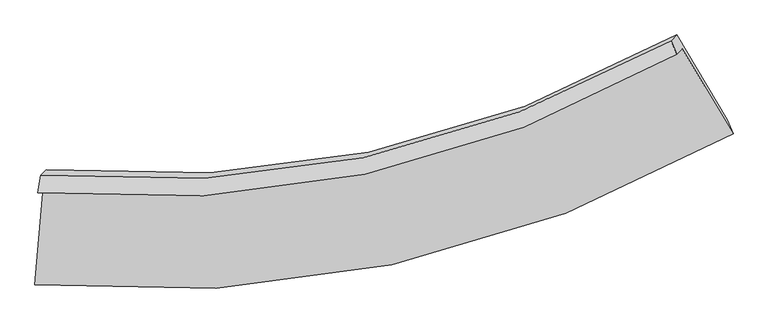
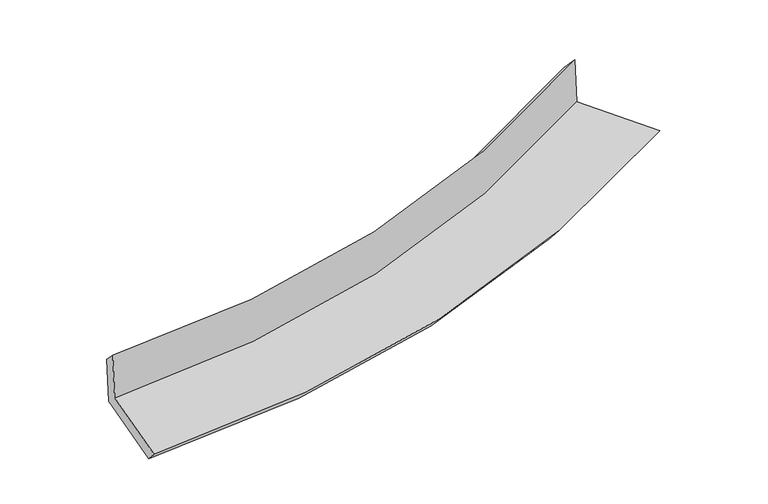
"""IFC4 building model written with IfcOpenShell, lengths in millimetres: proxy geometry."""

from ifc_helpers import new_model, si_unit, frame, origin, place, context, project, spatial, source, transform, mapped, element, save
from ifc_brep_helpers import plane_surface, spline_curve, spline_surface, advanced_brep


def generic_models_ab563125(model_context):
    return source(origin(), model_context, "Body", "AdvancedBrep", [
        advanced_brep(
        [(-2206.9320021, -1836.2949592, 1669.8758426), (-2263.7688935, -2493.5272875, 1603.0963141), (2439.8205452, -1476.8216544, 2128.3690382), (2096.9531696, -903.415308, 2150.6202998), (-2243.9628539, -1874.0981995, 2073.446079), (2060.3728223, -940.7586471, 2549.2808411), (-2223.036574, -1753.8559127, 1958.6213209), (2021.7275195, -847.2738075, 2435.7222718), (-2186.6029941, -1716.6624022, 1561.5602817), (2058.6153703, -809.6165509, 2033.7104902), (-2244.1902075, -2382.5710648, 1493.8991754), (2400.6857297, -1381.6899791, 2011.5109531)],
        [
            (0, 1),
            (1, 2, spline_curve(3, [(-2263.7688935, -2493.5272875, 1603.0963141), (-1435.808816587, -2567.592566203, 1680.36188547), (-634.040730437, -2522.249001812, 1762.213991795), (935.04788705, -2188.934026409, 1937.090305004), (1701.142947156, -1895.375713039, 2030.329106706), (2439.8205452, -1476.8216544, 2128.3690382)], [4, 2, 4], [0.0, 7.623393388096338, 15.423089832530996])),
            (2, 3),
            (3, 0, spline_curve(3, [(2096.9531696, -903.415308, 2150.6202998), (1421.481494811, -1287.873314459, 2061.573871989), (720.702691698, -1557.43236452, 1976.576427635), (-715.056845045, -1863.256639556, 1816.509251667), (-1448.906432353, -1904.657473351, 1741.2585437), (-2206.9320021, -1836.2949592, 1669.8758426)], [4, 2, 4], [0.0, 7.799696444434658, 15.423089832530996])),
            (4, 0),
            (3, 5),
            (5, 4, spline_curve(3, [(2060.3728223, -940.7586471, 2549.2808411), (1385.076825392, -1325.037311756, 2458.319839471), (684.346451643, -1594.546921995, 2372.794599781), (-751.568940786, -1900.530303715, 2214.425973017), (-1485.617125832, -1942.133877721, 2141.339625557), (-2243.9628539, -1874.0981995, 2073.446079)], [4, 2, 4], [0.0, 7.454743328535953, 14.740980864262959])),
            (6, 4),
            (5, 7),
            (7, 6, spline_curve(3, [(2021.7275195, -847.2738075, 2435.7222718), (1355.207876896, -1223.557185097, 2336.153956716), (663.893961, -1486.833792811, 2246.266314012), (-752.13562679, -1783.976793874, 2087.665358363), (-1475.743075196, -1822.894221176, 2018.519350618), (-2223.036574, -1753.8559127, 1958.6213209)], [4, 2, 4], [0.0, 7.401450537214313, 14.635599903114597])),
            (8, 6),
            (7, 9),
            (9, 8, spline_curve(3, [(2058.6153703, -809.6165509, 2033.7104902), (1391.725870008, -1186.277500636, 1938.172965655), (700.190412801, -1449.780270815, 1850.699728051), (-715.983969429, -1747.071086189, 1693.676772431), (-1439.521300049, -1785.916933547, 1623.766607481), (-2186.6029941, -1716.6624022, 1561.5602817)], [4, 2, 4], [0.0, 7.348269101703979, 14.530439136520393])),
            (10, 8),
            (9, 11),
            (11, 10, spline_curve(3, [(2400.6857297, -1381.6899791, 2011.5109531), (1671.815027234, -1794.673918252, 1906.883701324), (915.572654416, -2084.129974809, 1811.041980802), (-633.942749189, -2412.235710214, 1638.897406189), (-1425.992355264, -2456.406682039, 1562.201867349), (-2244.1902075, -2382.5710648, 1493.8991754)], [4, 2, 4], [0.0, 7.695293635355772, 15.21664411830821])),
            (1, 10),
            (11, 2),
        ],
        [
            spline_surface(3, 3, [[(-2206.9320021, -1836.2949592, 1669.8758426), (-1448.906432301, -1904.657473468, 1741.258543595), (-715.056844999, -1863.256639645, 1816.509251622), (720.70269165, -1557.432364429, 1976.576427682), (1421.481494935, -1287.873314577, 2061.573872032), (2096.9531696, -903.415308, 2150.6202998)], [(-2225.877632564, -2055.372401958, 1647.615999786), (-1444.540560377, -2125.63583773, 1720.959657574), (-688.051473454, -2082.920760394, 1798.410831683), (792.151090087, -1767.932918368, 1963.414386785), (1514.701978972, -1490.374114048, 2051.158950257), (2211.242294797, -1094.550756817, 2143.2032126)], [(-2244.823263036, -2274.449844742, 1625.356156914), (-1440.174688461, -2346.614202018, 1700.660771495), (-661.046101902, -2302.584881183, 1780.312411745), (863.599488532, -1978.433472347, 1950.252345889), (1607.922463017, -1692.874913469, 2040.744028483), (2325.531420003, -1285.686205583, 2135.7861254)], [(-2263.7688935, -2493.5272875, 1603.0963141), (-1435.808816536, -2567.59256628, 1680.361885474), (-634.040730357, -2522.249001932, 1762.213991806), (935.047886969, -2188.934026286, 1937.090304992), (1701.142947054, -1895.375712941, 2030.329106708), (2439.8205452, -1476.8216544, 2128.3690382)]], [4, 4], [4, 2, 4], [0.0, 2.177197485780877], [0.0, 7.623393388096338, 15.423089832530996]),
            spline_surface(3, 3, [[(-2243.9628539, -1874.0981995, 2073.446079), (-1485.6171258, -1942.133877614, 2141.339625541), (-751.568940764, -1900.530303747, 2214.425973126), (684.34645162, -1594.546921962, 2372.794599669), (1385.076825361, -1325.03731167, 2458.319839455), (2060.3728223, -940.7586471, 2549.2808411)], [(-2231.619236652, -1861.497119426, 1938.922666836), (-1473.380227985, -1929.641742925, 2007.979264861), (-739.398242177, -1888.105749067, 2081.787065957), (696.465198295, -1582.175402805, 2240.721875672), (1397.211715213, -1312.649312622, 2326.07118363), (2072.566271393, -928.310867384, 2416.393993983)], [(-2219.275619348, -1848.896039274, 1804.399254764), (-1461.143330115, -1917.149608158, 1874.618904275), (-727.227543585, -1875.681194325, 1949.148158791), (708.583944975, -1569.803883586, 2108.649151679), (1409.346605084, -1300.261313624, 2193.822527856), (2084.759720507, -915.863087716, 2283.507146917)], [(-2206.9320021, -1836.2949592, 1669.8758426), (-1448.906432301, -1904.657473468, 1741.258543595), (-715.056844999, -1863.256639645, 1816.509251622), (720.70269165, -1557.432364429, 1976.576427682), (1421.481494935, -1287.873314577, 2061.573872032), (2096.9531696, -903.415308, 2150.6202998)]], [4, 4], [4, 2, 4], [0.0, 1.3138039406077178], [0.0, 7.286237535727006, 14.740980864262959]),
            spline_surface(3, 3, [[(-2223.036574, -1753.8559127, 1958.6213209), (-1475.743075117, -1822.894221202, 2018.519350706), (-752.135626727, -1783.976793894, 2087.665358273), (663.893960936, -1486.833792791, 2246.266314104), (1355.207877017, -1223.557185038, 2336.153956836), (2021.7275195, -847.2738075, 2435.7222718)], [(-2230.012000609, -1793.93667495, 1996.896240294), (-1479.03442532, -1862.640773322, 2059.459442345), (-751.946731405, -1822.827963841, 2129.918896575), (670.711457832, -1522.738169177, 2288.442409311), (1365.164193119, -1257.383893914, 2376.875917733), (2034.609287088, -878.435420699, 2473.575128258)], [(-2236.987427291, -1834.01743725, 2035.171159606), (-1482.325775597, -1902.387325494, 2100.399533902), (-751.757836086, -1861.6791338, 2172.172434824), (677.528954724, -1558.642545576, 2330.618504463), (1375.120509259, -1291.210602793, 2417.597878557), (2047.491054712, -909.597033901, 2511.427984642)], [(-2243.9628539, -1874.0981995, 2073.446079), (-1485.6171258, -1942.133877614, 2141.339625541), (-751.568940764, -1900.530303747, 2214.425973126), (684.34645162, -1594.546921962, 2372.794599669), (1385.076825361, -1325.03731167, 2458.319839455), (2060.3728223, -940.7586471, 2549.2808411)]], [4, 4], [4, 2, 4], [0.0, 0.5558490785267526], [0.0, 7.234149365900285, 14.635599903114597]),
            spline_surface(3, 3, [[(-2186.6029941, -1716.6624022, 1561.5602817), (-1439.52130014, -1785.916933446, 1623.766607398), (-715.983969328, -1747.071086292, 1693.676772475), (700.190412698, -1449.78027071, 1850.699728005), (1391.725870001, -1186.277500738, 1938.172965758), (2058.6153703, -809.6165509, 2033.7104902)], [(-2198.747520747, -1729.060239047, 1693.91396141), (-1451.595225146, -1798.242696045, 1755.350855144), (-728.034521781, -1759.372988833, 1825.006301072), (688.091595458, -1462.131444744, 1982.555256703), (1379.553205665, -1198.704062169, 2070.833296093), (2046.319420025, -822.168969765, 2167.714417375)], [(-2210.892047353, -1741.458075853, 1826.26764119), (-1463.669150111, -1810.568458603, 1886.93510296), (-740.085074275, -1771.674891352, 1956.335829675), (675.992778176, -1474.482618757, 2114.410785406), (1367.380541353, -1211.130623607, 2203.493626501), (2034.023469775, -834.721388635, 2301.718344625)], [(-2223.036574, -1753.8559127, 1958.6213209), (-1475.743075117, -1822.894221202, 2018.519350706), (-752.135626727, -1783.976793894, 2087.665358273), (663.893960936, -1486.833792791, 2246.266314104), (1355.207877017, -1223.557185038, 2336.153956836), (2021.7275195, -847.2738075, 2435.7222718)]], [4, 4], [4, 2, 4], [0.0, 1.3063511883957333], [0.0, 7.182170034816414, 14.530439136520393]),
            spline_surface(3, 3, [[(-2244.1902075, -2382.5710648, 1493.8991754), (-1425.992355318, -2456.406682033, 1562.201867468), (-633.942749099, -2412.235710107, 1638.897406172), (915.572654324, -2084.129974919, 1811.041980819), (1671.81502721, -1794.673918286, 1906.883701345), (2400.6857297, -1381.6899791, 2011.5109531)], [(-2224.994469703, -2160.601510587, 1516.452877525), (-1430.502003596, -2232.910099157, 1582.72344747), (-661.289822525, -2190.514168803, 1657.157194928), (843.778573765, -1872.680073484, 1824.26122987), (1578.451974832, -1591.87511244, 1917.313456175), (2286.662276592, -1190.99883637, 2018.910798826)], [(-2205.798731897, -1938.631956413, 1539.006579575), (-1435.011651863, -2009.413516322, 1603.245027396), (-688.636895902, -1968.792627595, 1675.416983718), (771.984493256, -1661.230172145, 1837.480478954), (1485.088922379, -1389.076306584, 1927.743210928), (2172.638823408, -1000.30769363, 2026.310644474)], [(-2186.6029941, -1716.6624022, 1561.5602817), (-1439.52130014, -1785.916933446, 1623.766607398), (-715.983969328, -1747.071086292, 1693.676772475), (700.190412698, -1449.78027071, 1850.699728005), (1391.725870001, -1186.277500738, 1938.172965758), (2058.6153703, -809.6165509, 2033.7104902)]], [4, 4], [4, 2, 4], [0.0, 2.192291947848748], [0.0, 7.521350482952438, 15.21664411830821]),
            spline_surface(3, 3, [[(-2263.7688935, -2493.5272875, 1603.0963141), (-1435.808816536, -2567.59256628, 1680.361885474), (-634.040730357, -2522.249001932, 1762.213991806), (935.047886969, -2188.934026286, 1937.090304992), (1701.142947054, -1895.375712941, 2030.329106708), (2439.8205452, -1476.8216544, 2128.3690382)], [(-2257.242664825, -2456.541879933, 1566.697267849), (-1432.536662788, -2530.530604863, 1640.975212788), (-634.008069933, -2485.577904679, 1721.108463259), (928.556142759, -2153.999342519, 1895.074196931), (1691.366973777, -1861.808448055, 1989.180638245), (2426.775606705, -1445.111095966, 2089.416343159)], [(-2250.716436175, -2419.556472367, 1530.298221651), (-1429.264509066, -2493.468643449, 1601.588540154), (-633.975409523, -2448.90680736, 1680.00293472), (922.064398533, -2119.064658686, 1853.05808888), (1681.591000486, -1828.241183172, 1948.032169808), (2413.730668195, -1413.400537534, 2050.463648141)], [(-2244.1902075, -2382.5710648, 1493.8991754), (-1425.992355318, -2456.406682033, 1562.201867468), (-633.942749099, -2412.235710107, 1638.897406172), (915.572654324, -2084.129974919, 1811.041980819), (1671.81502721, -1794.673918286, 1906.883701345), (2400.6857297, -1381.6899791, 2011.5109531)]], [4, 4], [4, 2, 4], [0.0, 0.5408421526891216], [0.0, 7.910711158067162, 16.004370051345607]),
            plane_surface(frame((2179.6958594, -1059.9293245, 2218.2023157), z_axis=(0.8536040817347333, 0.5055341037469135, 0.1256795193920152), x_axis=(-0.09097931791085484, -0.09287696200027476, 0.9915122962636799))),
            plane_surface(frame((-2228.0822542, -2009.5016377, 1726.7498356), z_axis=(-0.992156707258221, 0.09415488405722355, -0.08221876945500838), x_axis=(0.08571949576963588, 0.9912157826314965, 0.10071464792784363))),
        ],
        [
            (0, [[1, 2, 3, 4]]),
            (1, [[5, -4, 6, 7]]),
            (2, [[8, -7, 9, 10]]),
            (3, [[11, -10, 12, 13]]),
            (4, [[14, -13, 15, 16]]),
            (5, [[17, -16, 18, -2]]),
            (6, [[-12, -9, -6, -3, -18, -15]]),
            (7, [[-1, -5, -8, -11, -14, -17]]),
        ],
    ),
    ])


if __name__ == "__main__":
    model = new_model("IFC4")
    model_context = context("Model", 3, world=origin())
    ifc_project = project(units=[si_unit("LENGTHUNIT", "METRE", prefix="MILLI")], contexts=[model_context])
    site = spatial("IfcSite", under=ifc_project)
    building = spatial("IfcBuilding", under=site)
    placement = place(None, origin())
    generic_models_shape = generic_models_ab563125(model_context)
    element("IfcBuildingElementProxy", 1, Name="Generic Models", at=placement, inside=building, context=model_context, shape_type="MappedRepresentation", body=[
        mapped(generic_models_shape, transform((0.0, 0.0, 0.0), x_axis=(1.0, 0.0, 0.0), y_axis=(0.0, 1.0, 0.0), z_axis=(0.0, 0.0, 1.0))),
    ])
    save(model, "model.ifc")
